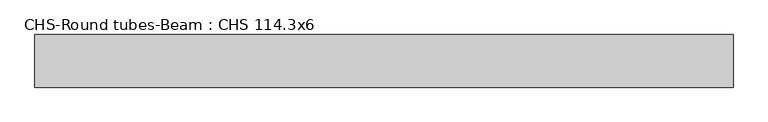
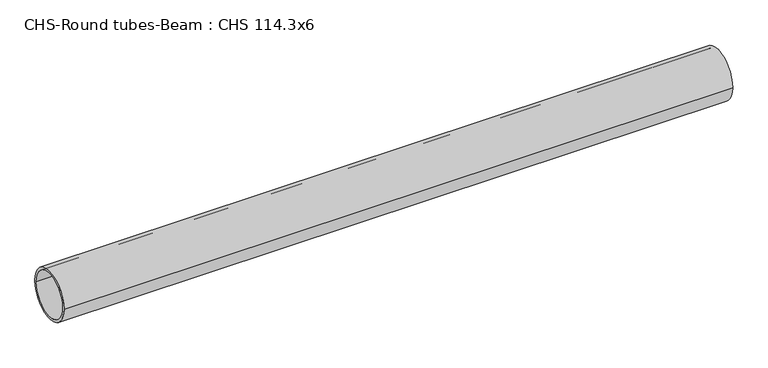
"""IFC4 building model written with IfcOpenShell, lengths in millimetres: beam geometry, CHS-Round tubes-Beam : CHS 114.3x6."""

from ifc_helpers import new_model, si_unit, point, frame, origin, origin_2d, place, context, project, spatial, circle_curve, trimmed, segment, composite_curve, outline, extrude, source, transform, mapped, element, save


def chs_round_tubes_beam_chs_114_3x6_1e438c50(model_context):
    return source(origin(), model_context, "Body", "SweptSolid", [
        extrude(outline(composite_curve([segment(trimmed(circle_curve(origin_2d(), 57.15), [point((57.15, 0.0))], [point((-57.15, 0.0))], False, "CARTESIAN"), True, "CONTINUOUS"), segment(trimmed(circle_curve(origin_2d(), 57.15), [point((-57.15, 0.0))], [point((57.15, 0.0))], False, "CARTESIAN"), True, "CONTINUOUS")], self_intersect=False), holes=[composite_curve([segment(trimmed(circle_curve(origin_2d(), 51.15), [point((51.15, 0.0))], [point((-51.15, 0.0))], True, "CARTESIAN"), True, "CONTINUOUS"), segment(trimmed(circle_curve(origin_2d(), 51.15), [point((-51.15, 0.0))], [point((51.15, 0.0))], True, "CARTESIAN"), True, "CONTINUOUS")], self_intersect=False)]), frame((-735.8929947, 0.0, 0.0), z_axis=(1.0, 0.0, 0.0), x_axis=(0.0, 1.0, 0.0)), (0.0, 0.0, 1.0), 1517.5282386),
    ])


if __name__ == "__main__":
    model = new_model("IFC4")
    model_context = context("Model", 3, world=origin())
    ifc_project = project(units=[si_unit("LENGTHUNIT", "METRE", prefix="MILLI")], contexts=[model_context])
    site = spatial("IfcSite", under=ifc_project)
    building = spatial("IfcBuilding", under=site)
    placement = place(None, origin())
    chs_round_tubes_beam_chs_114_3x6_shape = chs_round_tubes_beam_chs_114_3x6_1e438c50(model_context)
    element("IfcBeam", 1, ObjectType="CHS-Round tubes-Beam : CHS 114.3x6", at=placement, inside=building, context=model_context, shape_type="MappedRepresentation", body=[
        mapped(chs_round_tubes_beam_chs_114_3x6_shape, transform((0.0, 0.0, 0.0), x_axis=(1.0, 0.0, 0.0), y_axis=(0.0, 1.0, 0.0), z_axis=(0.0, 0.0, 1.0))),
    ])
    save(model, "model.ifc")
